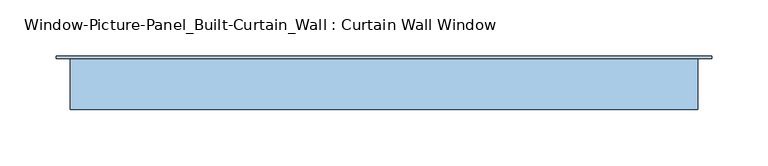
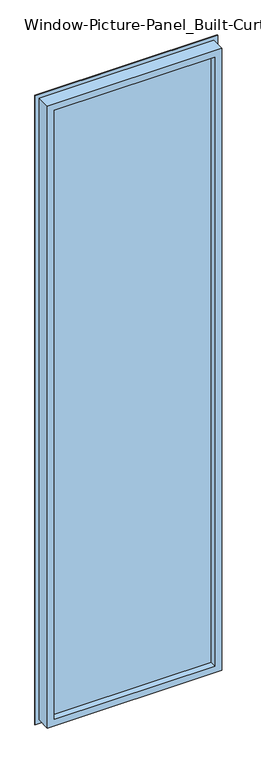
"""IFC4 building model written with IfcOpenShell, lengths in millimetres: window geometry, Window-Picture-Panel_Built-Curtain_Wall : Curtain Wall Window."""

from ifc_helpers import new_model, si_unit, frame, origin, place, context, project, spatial, polyline, outline, extrude, faceted_brep, source, transform, mapped, element, save


def window_picture_panel_built_curtain_wall_curtain_wall_window_ac289950(model_context):
    return source(origin(), model_context, "Body", "SolidModel", [
        extrude(outline(polyline([(266.7, 32.9044336), (266.7, 26.5544336), (-266.7, 26.5544336), (-266.7, 32.9044336), (266.7, 32.9044336)])), frame((0.0, 0.0, 12.7), z_axis=(0.0, 0.0, 1.0), x_axis=(1.0, 0.0, 0.0)), (0.0, 0.0, 1.0), 2082.8),
        faceted_brep([(-279.4, 5.5372, 2108.2), (-279.4, 50.8, 2108.2), (-279.4, 50.8, 0.0), (-279.4, 5.5372, 0.0), (-292.1, 50.8, -12.7), (292.1, 50.8, -12.7), (292.1, 50.8, 2120.9), (-292.1, 50.8, 2120.9), (279.4, 50.8, 2108.2), (279.4, 50.8, 0.0), (279.4, 5.5372, 0.0), (279.4, 5.5372, 2108.2), (-257.1839566, 5.5372, 2085.9839566), (257.1839566, 5.5372, 2085.9839566), (257.1839566, 5.5372, 22.2160434), (-257.1839566, 5.5372, 22.2160434), (-257.1839566, 26.5544336, 2085.9839566), (-257.1839566, 26.5544336, 22.2160434), (257.1839566, 26.5544336, 22.2160434), (-266.7, 26.5544336, 2095.5), (266.7, 26.5544336, 2095.5), (266.7, 26.5544336, 12.7), (-266.7, 26.5544336, 12.7), (257.1839566, 26.5544336, 2085.9839566), (-266.7, 32.9044336, 2095.5), (-266.7, 32.9044336, 12.7), (266.7, 32.9044336, 12.7), (266.7, 32.9044336, 2095.5), (-257.1839566, 32.9044336, 2085.9839566), (257.1839566, 32.9044336, 2085.9839566), (257.1839566, 32.9044336, 22.2160434), (-257.1839566, 32.9044336, 22.2160434), (-257.1839566, 40.4712173, 2085.9839566), (-257.1839566, 40.4712173, 22.2160434), (257.1839566, 40.4712173, 22.2160434), (-269.9149799, 53.1622, 2098.7149799), (-269.9149799, 53.1622, 9.4850201), (269.9149799, 53.1622, 9.4850201), (-292.1, 53.1622, 2120.9), (292.1, 53.1622, 2120.9), (292.1, 53.1622, -12.7), (-292.1, 53.1622, -12.7), (269.9149799, 53.1622, 2098.7149799), (257.1839566, 40.4712173, 2085.9839566)], [[[0, 1, 2, 3]], [[4, 5, 6, 7], [1, 8, 9, 2]], [[3, 2, 9, 10]], [[3, 10, 11, 0], [12, 13, 14, 15]], [[16, 12, 15, 17]], [[17, 15, 14, 18]], [[19, 20, 21, 22], [17, 18, 23, 16]], [[24, 19, 22, 25]], [[25, 22, 21, 26]], [[25, 26, 27, 24], [28, 29, 30, 31]], [[32, 28, 31, 33]], [[33, 31, 30, 34]], [[35, 32, 33, 36]], [[36, 33, 34, 37]], [[38, 39, 40, 41], [36, 37, 42, 35]], [[7, 38, 41, 4]], [[4, 41, 40, 5]], [[10, 9, 8, 11]], [[18, 14, 13, 23]], [[26, 21, 20, 27]], [[34, 30, 29, 43]], [[37, 34, 43, 42]], [[5, 40, 39, 6]], [[11, 8, 1, 0]], [[23, 13, 12, 16]], [[27, 20, 19, 24]], [[43, 29, 28, 32]], [[42, 43, 32, 35]], [[6, 39, 38, 7]]]),
    ])


if __name__ == "__main__":
    model = new_model("IFC4")
    model_context = context("Model", 3, world=origin())
    ifc_project = project(units=[si_unit("LENGTHUNIT", "METRE", prefix="MILLI")], contexts=[model_context])
    site = spatial("IfcSite", under=ifc_project)
    building = spatial("IfcBuilding", under=site)
    placement = place(None, origin())
    window_picture_panel_built_curtain_wall_curtain_wall_window_shape = window_picture_panel_built_curtain_wall_curtain_wall_window_ac289950(model_context)
    element("IfcWindow", 1, ObjectType="Window-Picture-Panel_Built-Curtain_Wall : Curtain Wall Window", at=placement, inside=building, context=model_context, shape_type="MappedRepresentation", body=[
        mapped(window_picture_panel_built_curtain_wall_curtain_wall_window_shape, transform((0.0, 0.0, 0.0), x_axis=(1.0, 0.0, 0.0), y_axis=(0.0, 1.0, 0.0), z_axis=(0.0, 0.0, 1.0))),
    ])
    save(model, "model.ifc")
